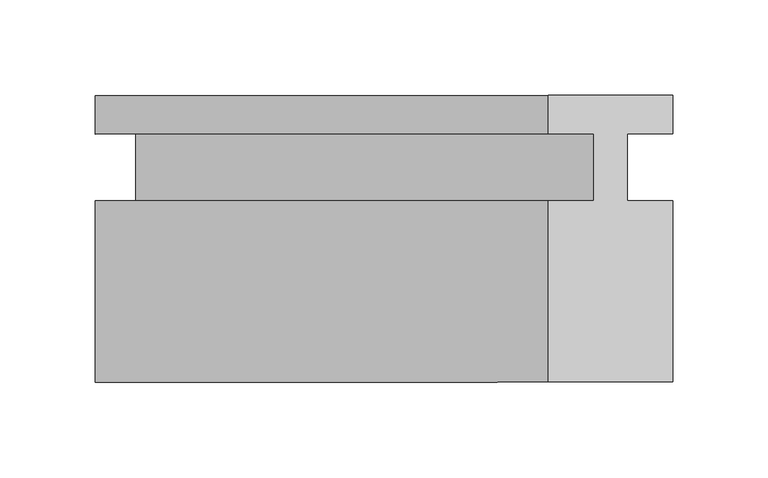
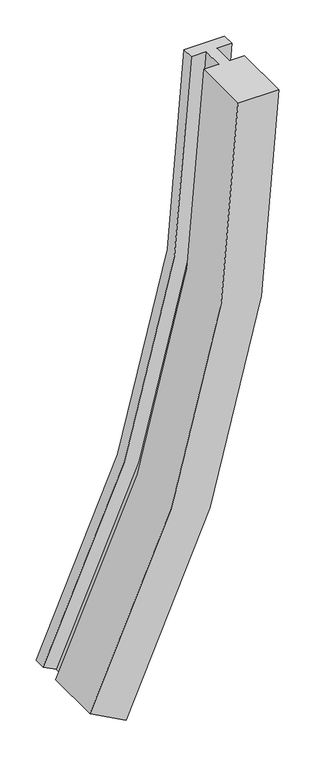
"""IFC4 building model written with IfcOpenShell, lengths in millimetres: member geometry."""

from ifc_helpers import new_model, si_unit, frame, origin, place, context, project, spatial, polyline, circle_curve, source, transform, mapped, element, save
from ifc_brep_helpers import plane_surface, cylinder_surface, revolved_surface, advanced_brep


def member_195d482d(model_context):
    return source(origin(), model_context, "Body", "AdvancedBrep", [
        advanced_brep(
        [(-302.1426121, 17.0, -949.3301437), (-65.0, 17.0, 0.0), (-65.0, 37.0, 0.0), (-302.1426121, 37.0, -949.3301437), (-281.127364, 17.0, -960.5281124), (-41.1875, 17.0, 0.0), (-281.127364, -18.0, -960.5281124), (-41.1875, -18.0, 0.0), (-302.1426121, -18.0, -949.3301437), (-65.0, -18.0, 0.0), (-302.1426121, -113.0, -949.3301437), (-65.0, -113.0, 0.0), (-244.7781554, -113.0, -979.8967775), (0.0, -113.0, 0.0), (-244.7781554, -18.0, -979.8967775), (0.0, -18.0, 0.0), (-265.7934035, -18.0, -968.6988088), (-23.8125, -18.0, 0.0), (-265.7934035, 17.0, -968.6988088), (-23.8125, 17.0, 0.0), (-244.7781554, 17.0, -979.8967775), (0.0, 17.0, 0.0), (-244.7781554, 37.0, -979.8967775), (0.0, 37.0, 0.0)],
        [
            (0, 1, circle_curve(frame((-2083.7522008, 17.0, 0.0), z_axis=(0.0, -1.0, 0.0), x_axis=(1.0, 0.0, 0.0)), 2018.7522008)),
            (1, 2),
            (2, 3, circle_curve(frame((-2083.7522008, 37.0, 0.0), z_axis=(0.0, 1.0, 0.0), x_axis=(1.0, 0.0, 0.0)), 2018.7522008)),
            (3, 0),
            (4, 5, circle_curve(frame((-2083.7522008, 17.0, 0.0), z_axis=(0.0, -1.0, 0.0), x_axis=(1.0, 0.0, 0.0)), 2042.5647008)),
            (5, 1),
            (0, 4),
            (6, 7, circle_curve(frame((-2083.7522008, -18.0, 0.0), z_axis=(0.0, -1.0, 0.0), x_axis=(1.0, 0.0, 0.0)), 2042.5647008)),
            (7, 5),
            (4, 6),
            (8, 9, circle_curve(frame((-2083.7522008, -18.0, 0.0), z_axis=(0.0, -1.0, 0.0), x_axis=(1.0, 0.0, 0.0)), 2018.7522008)),
            (9, 7),
            (6, 8),
            (10, 11, circle_curve(frame((-2083.7522008, -113.0, 0.0), z_axis=(0.0, -1.0, 0.0), x_axis=(1.0, 0.0, 0.0)), 2018.7522008)),
            (11, 9),
            (8, 10),
            (12, 13, circle_curve(frame((-2083.7522008, -113.0, 0.0), z_axis=(0.0, -1.0, 0.0), x_axis=(1.0, 0.0, 0.0)), 2083.7522008)),
            (13, 11),
            (10, 12),
            (14, 15, circle_curve(frame((-2083.7522008, -18.0, 0.0), z_axis=(0.0, -1.0, 0.0), x_axis=(1.0, 0.0, 0.0)), 2083.7522008)),
            (15, 13),
            (12, 14),
            (16, 17, circle_curve(frame((-2083.7522008, -18.0, 0.0), z_axis=(0.0, -1.0, 0.0), x_axis=(1.0, 0.0, 0.0)), 2059.9397008)),
            (17, 15),
            (14, 16),
            (18, 19, circle_curve(frame((-2083.7522008, 17.0, 0.0), z_axis=(0.0, -1.0, 0.0), x_axis=(1.0, 0.0, 0.0)), 2059.9397008)),
            (19, 17),
            (16, 18),
            (20, 21, circle_curve(frame((-2083.7522008, 17.0, 0.0), z_axis=(0.0, -1.0, 0.0), x_axis=(1.0, 0.0, 0.0)), 2083.7522008)),
            (21, 19),
            (18, 20),
            (22, 23, circle_curve(frame((-2083.7522008, 37.0, 0.0), z_axis=(0.0, -1.0, 0.0), x_axis=(1.0, 0.0, 0.0)), 2083.7522008)),
            (23, 21),
            (20, 22),
            (2, 23),
            (22, 3),
        ],
        [
            revolved_surface(polyline([(-65.0, 37.0, 0.0), (-65.0, 17.0, 0.0)]), (-2083.7522008, 0.0, 0.0), (0.0, 1.0, 0.0)),
            plane_surface(frame((-2083.7522008, 17.0, 0.0), z_axis=(0.0, -1.0, 0.0), x_axis=(1.0, 0.0, 0.0))),
            revolved_surface(polyline([(-41.1875, 17.0, 0.0), (-41.1875, -18.0, 0.0)]), (-2083.7522008, 0.0, 0.0), (0.0, 1.0, 0.0)),
            plane_surface(frame((-2083.7522008, -18.0, 0.0), z_axis=(0.0, 1.0, 0.0), x_axis=(1.0, 0.0, 0.0))),
            revolved_surface(polyline([(-65.0, -18.0, 0.0), (-65.0, -113.0, 0.0)]), (-2083.7522008, 0.0, 0.0), (0.0, 1.0, 0.0)),
            plane_surface(frame((-2083.7522008, -113.0, 0.0), z_axis=(0.0, -1.0, 0.0), x_axis=(1.0, 0.0, 0.0))),
            cylinder_surface(frame((-2083.7522008, 0.0, 0.0), z_axis=(0.0, 1.0, 0.0), x_axis=(1.0, 0.0, 0.0)), 2083.7522008),
            cylinder_surface(frame((-2083.7522008, 0.0, 0.0), z_axis=(0.0, 1.0, 0.0), x_axis=(1.0, 0.0, 0.0)), 2059.9397008),
            plane_surface(frame((-2083.7522008, 37.0, 0.0), z_axis=(0.0, 1.0, 0.0), x_axis=(1.0, 0.0, 0.0))),
            plane_surface(frame((-304.8, 0.0, 0.0), z_axis=(0.0, 0.0, 1.0), x_axis=(0.0, 1.0, 0.0))),
            plane_surface(frame((24.2170202, 0.0, -1123.2307775), z_axis=(-0.4702559052613575, 0.0, -0.8825301034904256), x_axis=(0.0, -1.0, 0.0))),
        ],
        [
            (0, [[1, 2, 3, 4]]),
            (1, [[5, 6, -1, 7]]),
            (2, [[8, 9, -5, 10]]),
            (3, [[11, 12, -8, 13]]),
            (4, [[14, 15, -11, 16]]),
            (5, [[17, 18, -14, 19]]),
            (6, [[20, 21, -17, 22]]),
            (3, [[23, 24, -20, 25]]),
            (7, [[26, 27, -23, 28]]),
            (1, [[29, 30, -26, 31]]),
            (6, [[32, 33, -29, 34]]),
            (8, [[-3, 35, -32, 36]]),
            (9, [[-2, -6, -9, -12, -15, -18, -21, -24, -27, -30, -33, -35]]),
            (10, [[-36, -34, -31, -28, -25, -22, -19, -16, -13, -10, -7, -4]]),
        ],
    ),
    ])


if __name__ == "__main__":
    model = new_model("IFC4")
    model_context = context("Model", 3, world=origin())
    ifc_project = project(units=[si_unit("LENGTHUNIT", "METRE", prefix="MILLI")], contexts=[model_context])
    site = spatial("IfcSite", under=ifc_project)
    building = spatial("IfcBuilding", under=site)
    placement = place(None, origin())
    member_shape = member_195d482d(model_context)
    element("IfcMember", 1, at=placement, inside=building, context=model_context, shape_type="MappedRepresentation", body=[
        mapped(member_shape, transform((0.0, 0.0, 0.0), x_axis=(1.0, 0.0, 0.0), y_axis=(0.0, 1.0, 0.0), z_axis=(0.0, 0.0, 1.0))),
    ])
    save(model, "model.ifc")
